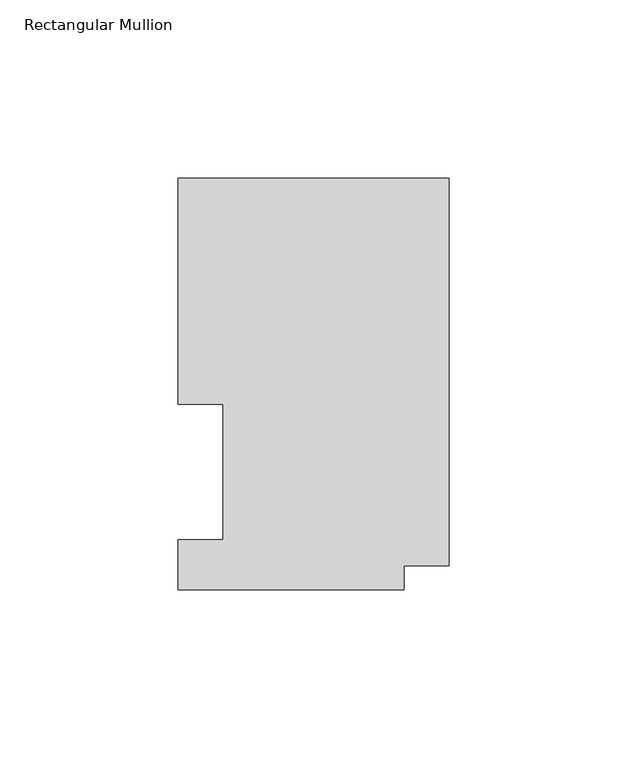
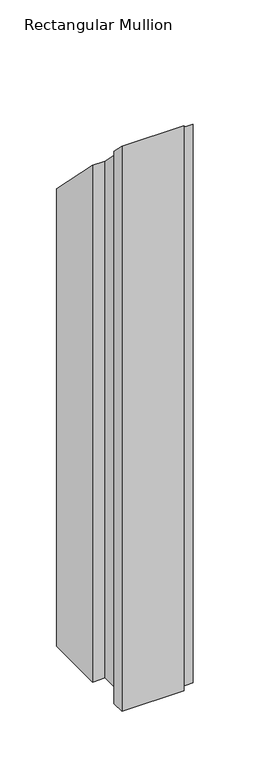
"""IFC4 building model written with IfcOpenShell, lengths in millimetres: member geometry, Rectangular Mullion."""

from ifc_helpers import new_model, si_unit, origin, place, context, project, spatial, faceted_brep, source, transform, mapped, element, save


def rectangular_mullion_99a9efa9(model_context):
    return source(origin(), model_context, "Body", "Brep", [
        faceted_brep([(0.0, 116.0859375, -609.6), (0.0, 7.1611307, -609.6), (-12.7, 7.1611307, -609.6), (-12.7, 0.5159205, -609.6), (-76.2, 0.5159205, -609.6), (-76.2, 14.4859375, -609.6), (-63.5, 14.4859375, -609.6), (-63.5, 52.5859375, -609.6), (-76.2, 52.5859375, -609.6), (-76.2, 116.0859375, -609.6), (-76.2, 116.0859375, -116.0859375), (0.0, 116.0859375, -116.0859375), (-76.2, 52.5859375, -52.5859375), (-63.5, 52.5859375, -52.5859375), (-63.5, 14.4859375, -14.4859375), (-76.2, 14.4859375, -14.4859375), (-76.2, 0.5159205, -0.5159205), (-12.7, 0.5159205, -0.5159205), (-12.7, 7.1611307, -7.1611307), (0.0, 7.1611307, -7.1611307)], [[[0, 1, 2, 3, 4, 5, 6, 7, 8, 9]], [[10, 11, 0, 9]], [[12, 10, 9, 8]], [[13, 12, 8, 7]], [[14, 13, 7, 6]], [[15, 14, 6, 5]], [[16, 15, 5, 4]], [[17, 16, 4, 3]], [[18, 17, 3, 2]], [[19, 18, 2, 1]], [[11, 19, 1, 0]], [[11, 10, 12, 13, 14, 15, 16, 17, 18, 19]]]),
    ])


if __name__ == "__main__":
    model = new_model("IFC4")
    model_context = context("Model", 3, world=origin())
    ifc_project = project(units=[si_unit("LENGTHUNIT", "METRE", prefix="MILLI")], contexts=[model_context])
    site = spatial("IfcSite", under=ifc_project)
    building = spatial("IfcBuilding", under=site)
    placement = place(None, origin())
    rectangular_mullion_shape = rectangular_mullion_99a9efa9(model_context)
    element("IfcMember", 1, ObjectType="Rectangular Mullion", at=placement, inside=building, context=model_context, shape_type="MappedRepresentation", body=[
        mapped(rectangular_mullion_shape, transform((0.0, 0.0, 0.0), x_axis=(1.0, 0.0, 0.0), y_axis=(0.0, 1.0, 0.0), z_axis=(0.0, 0.0, 1.0))),
    ])
    save(model, "model.ifc")
